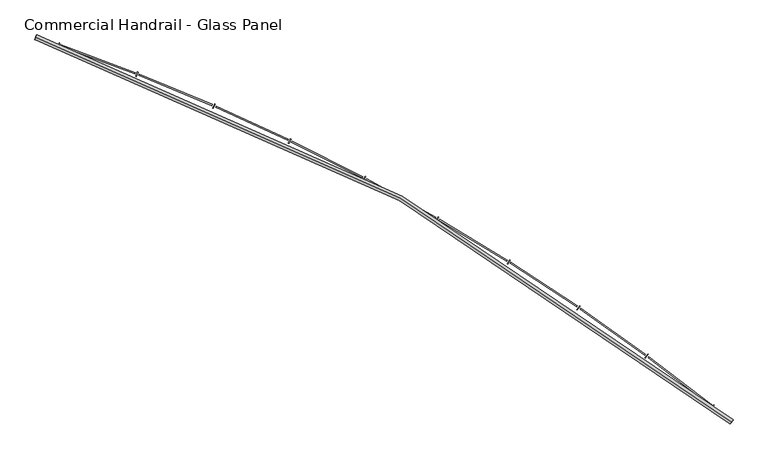
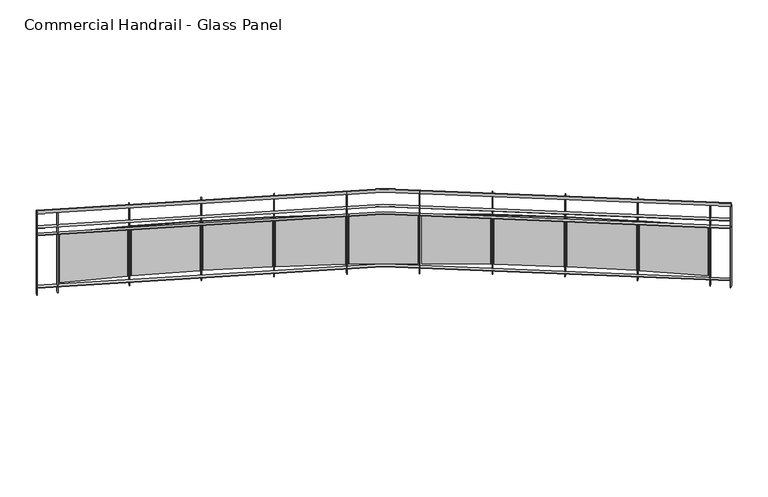
"""IFC4 building model written with IfcOpenShell, lengths in millimetres: railing geometry, Commercial Handrail - Glass Panel."""

from ifc_helpers import new_model, si_unit, point, frame, origin, place, context, project, spatial, polyline, circle_curve, ellipse_curve, trimmed, outline, extrude, source, transform, mapped, element, save
from ifc_brep_helpers import plane_surface, cylinder_surface, revolved_surface, advanced_brep


def commercial_handrail_glass_panel_25c663f8(model_context):
    return source(origin(), model_context, "Body", "SolidModel", [
        advanced_brep(
        [(150583.3685507, -40178.0609172, 33282.5), (143915.4015975, -36490.7578825, 33282.5), (143915.4015975, -36490.7578825, 33317.5), (150583.3685507, -40178.0609172, 33317.5)],
        [
            (0, 1, circle_curve(frame((137048.5497623, -56781.179875, 33282.5), z_axis=(0.0, 0.0, 1.0), x_axis=(0.3205678761961466, 0.9472255469269671, 0.0)), 21420.8981782)),
            (1, 2, ellipse_curve(frame((143915.4015975, -36490.7578825, 33300.0), z_axis=(0.9472255469269654, -0.3205678761961524, 0.0), x_axis=(-0.32056787619615235, -0.9472255469269651, 0.0)), 25.0, 17.5)),
            (2, 3, circle_curve(frame((137048.5497623, -56781.179875, 33317.5), z_axis=(0.0, 0.0, -1.0), x_axis=(0.3205678761961466, 0.9472255469269671, 0.0)), 21420.8981782)),
            (3, 0, ellipse_curve(frame((150583.3685507, -40178.0609172, 33300.0), z_axis=(-0.7750897660636332, 0.6318511332136888, 0.0), x_axis=(-0.6318511332136887, -0.775089766063633, 0.0)), 25.0, 17.5)),
            (2, 1, ellipse_curve(frame((143915.4015975, -36490.7578825, 33300.0), z_axis=(0.9472255469269654, -0.3205678761961524, 0.0), x_axis=(-0.32056787619615235, -0.9472255469269651, 0.0)), 25.0, 17.5)),
            (0, 3, ellipse_curve(frame((150583.3685507, -40178.0609172, 33300.0), z_axis=(-0.7750897660636332, 0.6318511332136888, 0.0), x_axis=(-0.6318511332136887, -0.775089766063633, 0.0)), 25.0, 17.5)),
        ],
        [
            revolved_surface(trimmed(ellipse_curve(frame((143915.4015975, -36490.7578825, 33300.0), z_axis=(-0.9472255469269671, 0.3205678761961466, 0.0), x_axis=(0.0, 0.0, -1.0)), 17.5, 25.0), [point((143915.4015975, -36490.7578825, 33317.5))], [point((143915.4015975, -36490.7578825, 33282.5))], True, "CARTESIAN"), (137048.5497623, -56781.179875, 33300.0), (0.0, 0.0, -1.0)),
            revolved_surface(trimmed(ellipse_curve(frame((143915.4015975, -36490.7578825, 33300.0), z_axis=(-0.9472255469269671, 0.3205678761961466, 0.0), x_axis=(0.0, 0.0, -1.0)), 17.5, 25.0), [point((143915.4015975, -36490.7578825, 33282.5))], [point((143915.4015975, -36490.7578825, 33317.5))], True, "CARTESIAN"), (137048.5497623, -56781.179875, 33300.0), (0.0, 0.0, -1.0)),
            plane_surface(frame((143915.4015975, -36490.7578825, 33300.0), z_axis=(-0.9472255469269671, 0.3205678761961466, 0.0), x_axis=(0.3205678761961466, 0.9472255469269671, 0.0))),
            plane_surface(frame((150583.3685507, -40178.0609172, 33300.0), z_axis=(0.7750897660636331, -0.6318511332136886, 0.0), x_axis=(0.6318511332136886, 0.7750897660636331, 0.0))),
        ],
        [
            (0, [[1, 2, 3, 4]]),
            (1, [[-3, 5, -1, 6]]),
            (2, [[-2, -5]]),
            (3, [[-6, -4]]),
        ],
    ),
        advanced_brep(
        [(150597.5852012, -40160.6213975, 33100.0), (143922.6143747, -36469.4453077, 33100.0), (143908.1888203, -36512.0704573, 33100.0), (150569.1519002, -40195.500437, 33100.0), (150597.5852012, -40160.6213975, 33094.0), (143922.6143747, -36469.4453077, 33094.0), (150569.1519002, -40195.500437, 33094.0), (143908.1888203, -36512.0704573, 33094.0)],
        [
            (0, 1, circle_curve(frame((137048.5497623, -56781.179875, 33100.0), z_axis=(0.0, 0.0, 1.0), x_axis=(0.3205678761961466, 0.9472255469269671, 0.0)), 21443.3981782)),
            (1, 2),
            (2, 3, circle_curve(frame((137048.5497623, -56781.179875, 33100.0), z_axis=(0.0, 0.0, -1.0), x_axis=(0.3205678761961466, 0.9472255469269671, 0.0)), 21398.3981782)),
            (3, 0),
            (4, 5, circle_curve(frame((137048.5497623, -56781.179875, 33094.0), z_axis=(0.0, 0.0, 1.0), x_axis=(0.3205678761961466, 0.9472255469269671, 0.0)), 21443.3981782)),
            (5, 1),
            (0, 4),
            (6, 7, circle_curve(frame((137048.5497623, -56781.179875, 33094.0), z_axis=(0.0, 0.0, 1.0), x_axis=(0.3205678761961466, 0.9472255469269671, 0.0)), 21398.3981782)),
            (7, 5),
            (4, 6),
            (2, 7),
            (6, 3),
        ],
        [
            plane_surface(frame((137048.5497623, -56781.179875, 33100.0), z_axis=(0.0, 0.0, 1.0), x_axis=(0.3205678761961466, 0.9472255469269671, 0.0))),
            cylinder_surface(frame((137048.5497623, -56781.179875, 33100.0), z_axis=(0.0, 0.0, -1.0), x_axis=(0.3205678761961466, 0.9472255469269671, 0.0)), 21443.3981782),
            plane_surface(frame((137048.5497623, -56781.179875, 33094.0), z_axis=(0.0, 0.0, -1.0), x_axis=(0.3205678761961466, 0.9472255469269671, 0.0))),
            revolved_surface(polyline([(143908.18882028508, -36512.07045729349, 33094.0), (143908.18882028508, -36512.07045729349, 33100.0)]), (137048.5497623, -56781.179875, 33100.0), (0.0, 0.0, -1.0)),
            plane_surface(frame((143915.4015975, -36490.7578825, 33100.0), z_axis=(-0.9472255469269671, 0.3205678761961466, 0.0), x_axis=(0.3205678761961466, 0.9472255469269671, 0.0))),
            plane_surface(frame((150583.3685507, -40178.0609172, 33100.0), z_axis=(0.7750897660636331, -0.6318511332136886, 0.0), x_axis=(0.6318511332136886, 0.7750897660636331, 0.0))),
        ],
        [
            (0, [[1, 2, 3, 4]]),
            (1, [[5, 6, -1, 7]]),
            (2, [[8, 9, -5, 10]]),
            (3, [[-3, 11, -8, 12]]),
            (4, [[-2, -6, -9, -11]]),
            (5, [[-12, -10, -7, -4]]),
        ],
    ),
        advanced_brep(
        [(150597.5852012, -40160.6213975, 33000.0), (143922.6143747, -36469.4453077, 33000.0), (143908.1888203, -36512.0704573, 33000.0), (150569.1519002, -40195.500437, 33000.0), (150597.5852012, -40160.6213975, 32994.0), (143922.6143747, -36469.4453077, 32994.0), (150569.1519002, -40195.500437, 32994.0), (143908.1888203, -36512.0704573, 32994.0)],
        [
            (0, 1, circle_curve(frame((137048.5497623, -56781.179875, 33000.0), z_axis=(0.0, 0.0, 1.0), x_axis=(0.3205678761961466, 0.9472255469269671, 0.0)), 21443.3981782)),
            (1, 2),
            (2, 3, circle_curve(frame((137048.5497623, -56781.179875, 33000.0), z_axis=(0.0, 0.0, -1.0), x_axis=(0.3205678761961466, 0.9472255469269671, 0.0)), 21398.3981782)),
            (3, 0),
            (4, 5, circle_curve(frame((137048.5497623, -56781.179875, 32994.0), z_axis=(0.0, 0.0, 1.0), x_axis=(0.3205678761961466, 0.9472255469269671, 0.0)), 21443.3981782)),
            (5, 1),
            (0, 4),
            (6, 7, circle_curve(frame((137048.5497623, -56781.179875, 32994.0), z_axis=(0.0, 0.0, 1.0), x_axis=(0.3205678761961466, 0.9472255469269671, 0.0)), 21398.3981782)),
            (7, 5),
            (4, 6),
            (2, 7),
            (6, 3),
        ],
        [
            plane_surface(frame((137048.5497623, -56781.179875, 33000.0), z_axis=(0.0, 0.0, 1.0), x_axis=(0.3205678761961466, 0.9472255469269671, 0.0))),
            cylinder_surface(frame((137048.5497623, -56781.179875, 33000.0), z_axis=(0.0, 0.0, -1.0), x_axis=(0.3205678761961466, 0.9472255469269671, 0.0)), 21443.3981782),
            plane_surface(frame((137048.5497623, -56781.179875, 32994.0), z_axis=(0.0, 0.0, -1.0), x_axis=(0.3205678761961466, 0.9472255469269671, 0.0))),
            revolved_surface(polyline([(143908.18882028508, -36512.07045729349, 32994.0), (143908.18882028508, -36512.07045729349, 33000.0)]), (137048.5497623, -56781.179875, 33000.0), (0.0, 0.0, -1.0)),
            plane_surface(frame((143915.4015975, -36490.7578825, 33000.0), z_axis=(-0.9472255469269671, 0.3205678761961466, 0.0), x_axis=(0.3205678761961466, 0.9472255469269671, 0.0))),
            plane_surface(frame((150583.3685507, -40178.0609172, 33000.0), z_axis=(0.7750897660636331, -0.6318511332136886, 0.0), x_axis=(0.6318511332136886, 0.7750897660636331, 0.0))),
        ],
        [
            (0, [[1, 2, 3, 4]]),
            (1, [[5, 6, -1, 7]]),
            (2, [[8, 9, -5, 10]]),
            (3, [[-3, 11, -8, 12]]),
            (4, [[-2, -6, -9, -11]]),
            (5, [[-12, -10, -7, -4]]),
        ],
    ),
        advanced_brep(
        [(150597.5852012, -40160.6213975, 32300.0), (143922.6143747, -36469.4453077, 32300.0), (143908.1888203, -36512.0704573, 32300.0), (150569.1519002, -40195.500437, 32300.0), (150597.5852012, -40160.6213975, 32294.0), (143922.6143747, -36469.4453077, 32294.0), (150569.1519002, -40195.500437, 32294.0), (143908.1888203, -36512.0704573, 32294.0)],
        [
            (0, 1, circle_curve(frame((137048.5497623, -56781.179875, 32300.0), z_axis=(0.0, 0.0, 1.0), x_axis=(0.3205678761961466, 0.9472255469269671, 0.0)), 21443.3981782)),
            (1, 2),
            (2, 3, circle_curve(frame((137048.5497623, -56781.179875, 32300.0), z_axis=(0.0, 0.0, -1.0), x_axis=(0.3205678761961466, 0.9472255469269671, 0.0)), 21398.3981782)),
            (3, 0),
            (4, 5, circle_curve(frame((137048.5497623, -56781.179875, 32294.0), z_axis=(0.0, 0.0, 1.0), x_axis=(0.3205678761961466, 0.9472255469269671, 0.0)), 21443.3981782)),
            (5, 1),
            (0, 4),
            (6, 7, circle_curve(frame((137048.5497623, -56781.179875, 32294.0), z_axis=(0.0, 0.0, 1.0), x_axis=(0.3205678761961466, 0.9472255469269671, 0.0)), 21398.3981782)),
            (7, 5),
            (4, 6),
            (2, 7),
            (6, 3),
        ],
        [
            plane_surface(frame((137048.5497623, -56781.179875, 32300.0), z_axis=(0.0, 0.0, 1.0), x_axis=(0.3205678761961466, 0.9472255469269671, 0.0))),
            cylinder_surface(frame((137048.5497623, -56781.179875, 32300.0), z_axis=(0.0, 0.0, -1.0), x_axis=(0.3205678761961466, 0.9472255469269671, 0.0)), 21443.3981782),
            plane_surface(frame((137048.5497623, -56781.179875, 32294.0), z_axis=(0.0, 0.0, -1.0), x_axis=(0.3205678761961466, 0.9472255469269671, 0.0))),
            revolved_surface(polyline([(143908.18882028508, -36512.07045729349, 32294.0), (143908.18882028508, -36512.07045729349, 32300.0)]), (137048.5497623, -56781.179875, 32300.0), (0.0, 0.0, -1.0)),
            plane_surface(frame((143915.4015975, -36490.7578825, 32300.0), z_axis=(-0.9472255469269671, 0.3205678761961466, 0.0), x_axis=(0.3205678761961466, 0.9472255469269671, 0.0))),
            plane_surface(frame((150583.3685507, -40178.0609172, 32300.0), z_axis=(0.7750897660636331, -0.6318511332136886, 0.0), x_axis=(0.6318511332136886, 0.7750897660636331, 0.0))),
        ],
        [
            (0, [[1, 2, 3, 4]]),
            (1, [[5, 6, -1, 7]]),
            (2, [[8, 9, -5, 10]]),
            (3, [[-3, 11, -8, 12]]),
            (4, [[-2, -6, -9, -11]]),
            (5, [[-12, -10, -7, -4]]),
        ],
    ),
        extrude(outline(polyline([(150387.8172497, -40049.3121821), (150415.8741434, -40014.1296479), (150420.565148, -40017.8705671), (150392.5082542, -40053.0531013), (150387.8172497, -40049.3121821)])), frame((0.0, 0.0, 32200.0), z_axis=(0.0, 0.0, 1.0), x_axis=(1.0, 0.0, 0.0)), (0.0, 0.0, 1.0), 1082.1192282),
        extrude(outline(polyline([(149791.3308783, -39551.0349259), (150394.2690459, -40013.7071274), (150386.9636954, -40023.2272037), (149784.0255278, -39560.5550022), (149791.3308783, -39551.0349259)])), frame((0.0, 0.0, 32320.0), z_axis=(0.0, 0.0, 1.0), x_axis=(1.0, 0.0, 0.0)), (0.0, 0.0, 1.0), 660.0),
        extrude(outline(polyline([(149753.7807796, -39562.917524), (149780.5044628, -39526.7119338), (149785.3318748, -39530.2750916), (149758.6081917, -39566.4806817), (149753.7807796, -39562.917524)])), frame((0.0, 0.0, 32200.0), z_axis=(0.0, 0.0, 1.0), x_axis=(1.0, 0.0, 0.0)), (0.0, 0.0, 1.0), 1082.1192282),
        extrude(outline(polyline([(149139.1056536, -39087.2593434), (149758.8986545, -39527.0963996), (149751.9538589, -39536.8826049), (149132.160858, -39097.0455487), (149139.1056536, -39087.2593434)])), frame((0.0, 0.0, 32320.0), z_axis=(0.0, 0.0, 1.0), x_axis=(1.0, 0.0, 0.0)), (0.0, 0.0, 1.0), 660.0),
        extrude(outline(polyline([(149102.0254116, -39100.5357023), (149127.3786149, -39063.3575489), (149132.335702, -39066.737976), (149106.9824987, -39103.9161294), (149102.0254116, -39100.5357023)])), frame((0.0, 0.0, 32200.0), z_axis=(0.0, 0.0, 1.0), x_axis=(1.0, 0.0, 0.0)), (0.0, 0.0, 1.0), 1082.1192282),
        extrude(outline(polyline([(148470.0187657, -38648.1599571), (149105.8022278, -39064.5484649), (149099.2276724, -39074.5871511), (148463.4442103, -38658.1986434), (148470.0187657, -38648.1599571)])), frame((0.0, 0.0, 32320.0), z_axis=(0.0, 0.0, 1.0), x_axis=(1.0, 0.0, 0.0)), (0.0, 0.0, 1.0), 660.0),
        extrude(outline(polyline([(148433.4600931, -38662.8115613), (148457.4074585, -38624.712694), (148462.4873075, -38627.9056761), (148438.5399421, -38666.0045433), (148433.4600931, -38662.8115613)])), frame((0.0, 0.0, 32200.0), z_axis=(0.0, 0.0, 1.0), x_axis=(1.0, 0.0, 0.0)), (0.0, 0.0, 1.0), 1082.1192282),
        extrude(outline(polyline([(147785.0033328, -38234.3491413), (148435.8905832, -38626.7083992), (148429.695437, -38636.9855663), (147778.8081866, -38244.6263084), (147785.0033328, -38234.3491413)])), frame((0.0, 0.0, 32320.0), z_axis=(0.0, 0.0, 1.0), x_axis=(1.0, 0.0, 0.0)), (0.0, 0.0, 1.0), 660.0),
        extrude(outline(polyline([(147749.0172148, -38250.3555574), (147771.5253451, -38211.3891094), (147776.7208715, -38214.3901934), (147754.2127412, -38253.3566414), (147749.0172148, -38250.3555574)])), frame((0.0, 0.0, 32200.0), z_axis=(0.0, 0.0, 1.0), x_axis=(1.0, 0.0, 0.0)), (0.0, 0.0, 1.0), 1082.1192282),
        extrude(outline(polyline([(147085.0146873, -37846.4040024), (147750.0979893, -38214.1868206), (147744.2908922, -38224.6881359), (147079.2075902, -37856.9053177), (147085.0146873, -37846.4040024)])), frame((0.0, 0.0, 32320.0), z_axis=(0.0, 0.0, 1.0), x_axis=(1.0, 0.0, 0.0)), (0.0, 0.0, 1.0), 660.0),
        extrude(outline(polyline([(147049.6513106, -37863.7429077), (147070.6888157, -37823.9632221), (147075.9927737, -37826.7682228), (147054.9552687, -37866.5479084), (147049.6513106, -37863.7429077)])), frame((0.0, 0.0, 32200.0), z_axis=(0.0, 0.0, 1.0), x_axis=(1.0, 0.0, 0.0)), (0.0, 0.0, 1.0), 1082.1192282),
        extrude(outline(polyline([(146371.0290434, -37484.8655743), (147049.3808623, -37827.5590376), (147043.9699129, -37838.2698558), (146365.618094, -37495.5763925), (146371.0290434, -37484.8655743)])), frame((0.0, 0.0, 32320.0), z_axis=(0.0, 0.0, 1.0), x_axis=(1.0, 0.0, 0.0)), (0.0, 0.0, 1.0), 660.0),
        extrude(outline(polyline([(146336.3377264, -37503.5127878), (146355.8752669, -37462.975342), (146361.2802597, -37465.5803474), (146341.7427192, -37506.1177932), (146336.3377264, -37503.5127878)])), frame((0.0, 0.0, 32200.0), z_axis=(0.0, 0.0, 1.0), x_axis=(1.0, 0.0, 0.0)), (0.0, 0.0, 1.0), 1082.1192282),
        extrude(outline(polyline([(145644.0421358, -37150.2380638), (146334.7164324, -37467.364247), (146329.7091769, -37478.2696306), (145639.0348803, -37161.1434474), (145644.0421358, -37150.2380638)])), frame((0.0, 0.0, 32320.0), z_axis=(0.0, 0.0, 1.0), x_axis=(1.0, 0.0, 0.0)), (0.0, 0.0, 1.0), 660.0),
        extrude(outline(polyline([(145610.0712594, -37170.1675797), (145628.0815881, -37128.9289078), (145633.5800777, -37131.3302849), (145615.569749, -37172.5689569), (145610.0712594, -37170.1675797)])), frame((0.0, 0.0, 32200.0), z_axis=(0.0, 0.0, 1.0), x_axis=(1.0, 0.0, 0.0)), (0.0, 0.0, 1.0), 1082.1192282),
        extrude(outline(polyline([(144905.0678309, -36842.9881472), (145607.1013808, -37134.1047815), (145602.5048024, -37145.1895217), (144900.4712525, -36854.0728874), (144905.0678309, -36842.9881472)])), frame((0.0, 0.0, 32320.0), z_axis=(0.0, 0.0, 1.0), x_axis=(1.0, 0.0, 0.0)), (0.0, 0.0, 1.0), 660.0),
        extrude(outline(polyline([(144871.8647714, -36864.1721715), (144888.3227707, -36822.2897855), (144893.9070889, -36824.4841854), (144877.4490896, -36866.3665714), (144871.8647714, -36864.1721715)])), frame((0.0, 0.0, 32200.0), z_axis=(0.0, 0.0, 1.0), x_axis=(1.0, 0.0, 0.0)), (0.0, 0.0, 1.0), 1082.1192282),
        extrude(outline(polyline([(144155.1367129, -36563.5443196), (144867.5504501, -36828.2454095), (144863.3709592, -36839.4940475), (144150.957222, -36574.7929575), (144155.1367129, -36563.5443196)])), frame((0.0, 0.0, 32320.0), z_axis=(0.0, 0.0, 1.0), x_axis=(1.0, 0.0, 0.0)), (0.0, 0.0, 1.0), 660.0),
        extrude(outline(polyline([(144122.7477757, -36585.9533088), (144137.6304932, -36543.4856185), (144143.2928519, -36545.4699808), (144128.4101344, -36587.9376712), (144122.7477757, -36585.9533088)])), frame((0.0, 0.0, 32200.0), z_axis=(0.0, 0.0, 1.0), x_axis=(1.0, 0.0, 0.0)), (0.0, 0.0, 1.0), 1082.1192282),
        extrude(outline(polyline([(150566.8266309, -40193.6048836), (150595.2599319, -40158.7258441), (150599.9104705, -40162.5169509), (150571.4771695, -40197.3959904), (150566.8266309, -40193.6048836)])), frame((0.0, 0.0, 32200.0), z_axis=(0.0, 0.0, 1.0), x_axis=(1.0, 0.0, 0.0)), (0.0, 0.0, 1.0), 1082.1192282),
        extrude(outline(polyline([(143905.3471437, -36511.1087537), (143919.7726981, -36468.4836041), (143925.4560514, -36470.4070113), (143911.030497, -36513.032161), (143905.3471437, -36511.1087537)])), frame((0.0, 0.0, 32200.0), z_axis=(0.0, 0.0, 1.0), x_axis=(1.0, 0.0, 0.0)), (0.0, 0.0, 1.0), 1082.1192282),
    ])


if __name__ == "__main__":
    model = new_model("IFC4")
    model_context = context("Model", 3, world=origin())
    ifc_project = project(units=[si_unit("LENGTHUNIT", "METRE", prefix="MILLI")], contexts=[model_context])
    site = spatial("IfcSite", under=ifc_project)
    building = spatial("IfcBuilding", under=site)
    placement = place(None, origin())
    commercial_handrail_glass_panel_shape = commercial_handrail_glass_panel_25c663f8(model_context)
    element("IfcRailing", 1, ObjectType="Commercial Handrail - Glass Panel", at=placement, inside=building, context=model_context, shape_type="MappedRepresentation", body=[
        mapped(commercial_handrail_glass_panel_shape, transform((0.0, 0.0, 0.0), x_axis=(1.0, 0.0, 0.0), y_axis=(0.0, 1.0, 0.0), z_axis=(0.0, 0.0, 1.0))),
    ])
    save(model, "model.ifc")
